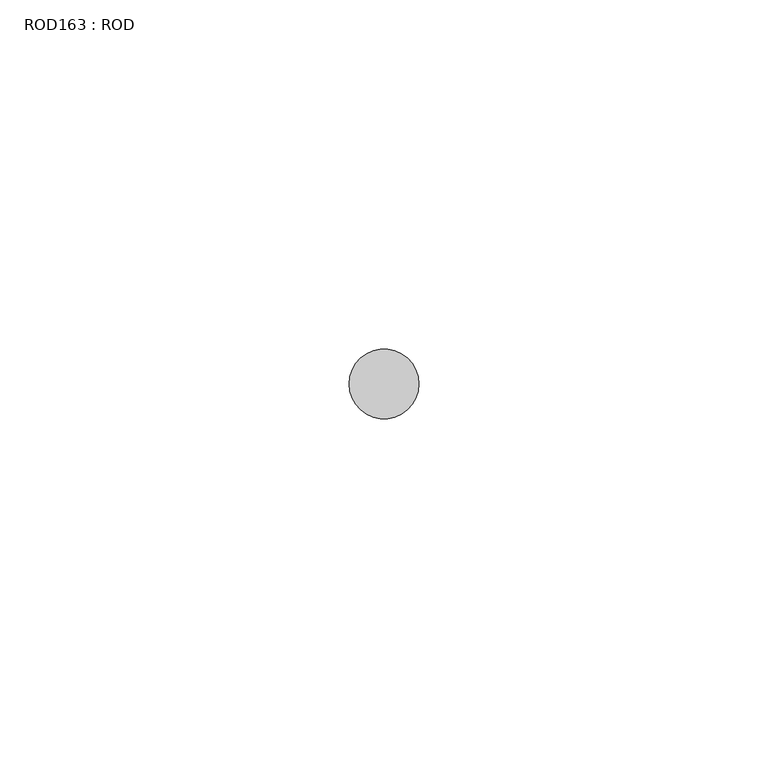
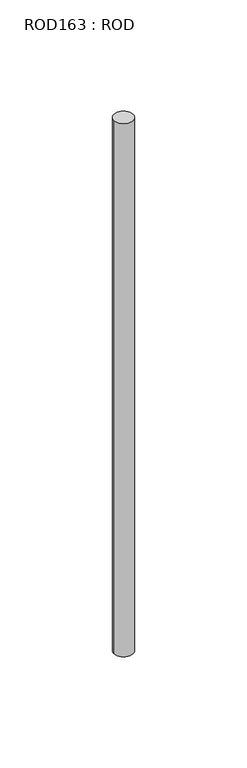
"""IFC4 building model written with IfcOpenShell, lengths in millimetres: proxy geometry, ROD163 : ROD."""

from ifc_helpers import new_model, si_unit, point, frame, frame_2d, origin, place, context, project, spatial, circle_curve, trimmed, segment, composite_curve, outline, extrude, source, transform, mapped, element, save


def rod163_rod_6356885f(model_context):
    return source(origin(), model_context, "Body", "SweptSolid", [
        extrude(outline(composite_curve([segment(trimmed(circle_curve(frame_2d((-4400.2326676, -25842.0031575)), 5.0), [point((-4405.2326676, -25842.0031575))], [point((-4395.2326676, -25842.0031575))], False, "CARTESIAN"), True, "CONTINUOUS"), segment(trimmed(circle_curve(frame_2d((-4400.2326676, -25842.0031575)), 5.0), [point((-4395.2326676, -25842.0031575))], [point((-4405.2326676, -25842.0031575))], False, "CARTESIAN"), True, "CONTINUOUS")], self_intersect=False)), frame((0.0, 0.0, 166.3391155), z_axis=(0.0, 0.0, 1.0), x_axis=(1.0, 0.0, 0.0)), (0.0, 0.0, 1.0), 298.9028972),
    ])


if __name__ == "__main__":
    model = new_model("IFC4")
    model_context = context("Model", 3, world=origin())
    ifc_project = project(units=[si_unit("LENGTHUNIT", "METRE", prefix="MILLI")], contexts=[model_context])
    site = spatial("IfcSite", under=ifc_project)
    building = spatial("IfcBuilding", under=site)
    placement = place(None, origin())
    rod163_rod_shape = rod163_rod_6356885f(model_context)
    element("IfcBuildingElementProxy", 1, Name="ROD163 : ROD", ObjectType="ROD163 : ROD", at=placement, inside=building, context=model_context, shape_type="MappedRepresentation", body=[
        mapped(rod163_rod_shape, transform((0.0, 0.0, 0.0), x_axis=(1.0, 0.0, 0.0), y_axis=(0.0, 1.0, 0.0), z_axis=(0.0, 0.0, 1.0))),
    ])
    save(model, "model.ifc")
